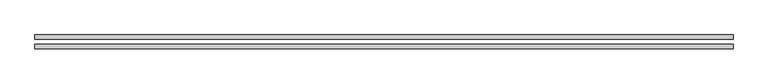
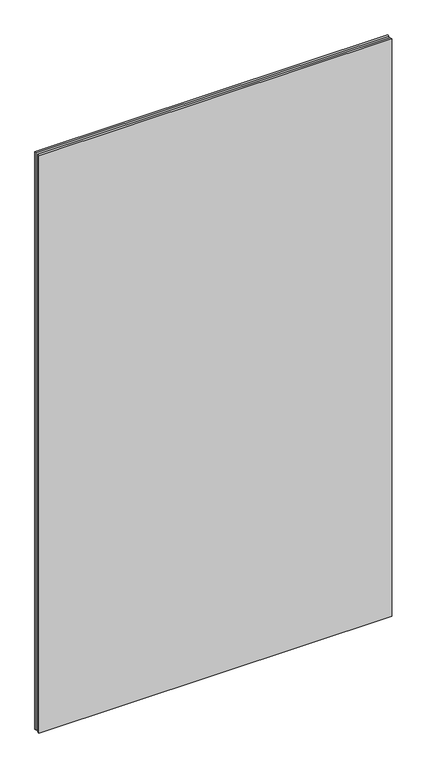
"""IFC4 building model written with IfcOpenShell, lengths in millimetres: plate geometry."""

from ifc_helpers import new_model, si_unit, origin, origin_with_axes, place, context, project, spatial, polyline, outline, extrude, source, transform, mapped, element, save


def plate_d81cb89b(model_context):
    return source(origin(), model_context, "Body", "SweptSolid", [
        extrude(outline(polyline([(627.75, -40.8), (-627.75, -40.8), (-627.75, -32.8), (627.75, -32.8), (627.75, -40.8)])), origin_with_axes(), (0.0, 0.0, 1.0), 2173.3),
        extrude(outline(polyline([(627.75, -23.8), (-627.75, -23.8), (-627.75, -15.8), (627.75, -15.8), (627.75, -23.8)])), origin_with_axes(), (0.0, 0.0, 1.0), 2173.3),
    ])


if __name__ == "__main__":
    model = new_model("IFC4")
    model_context = context("Model", 3, world=origin())
    ifc_project = project(units=[si_unit("LENGTHUNIT", "METRE", prefix="MILLI")], contexts=[model_context])
    site = spatial("IfcSite", under=ifc_project)
    building = spatial("IfcBuilding", under=site)
    placement = place(None, origin())
    plate_shape = plate_d81cb89b(model_context)
    element("IfcPlate", 1, at=placement, inside=building, context=model_context, shape_type="MappedRepresentation", body=[
        mapped(plate_shape, transform((0.0, 0.0, 0.0), x_axis=(1.0, 0.0, 0.0), y_axis=(0.0, 1.0, 0.0), z_axis=(0.0, 0.0, 1.0))),
    ])
    save(model, "model.ifc")
